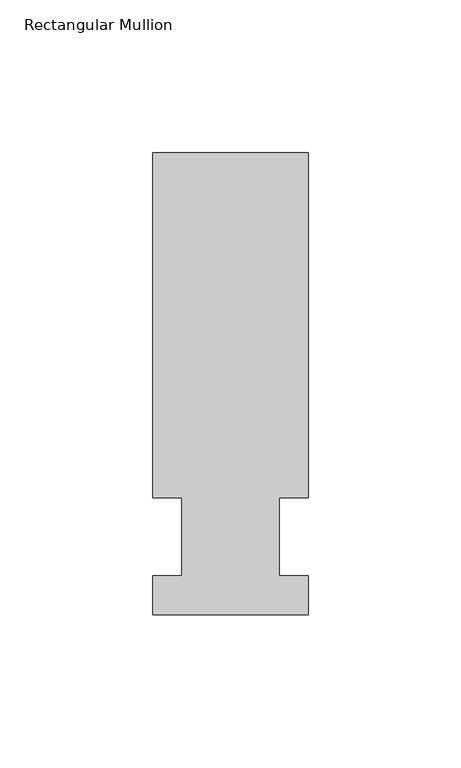
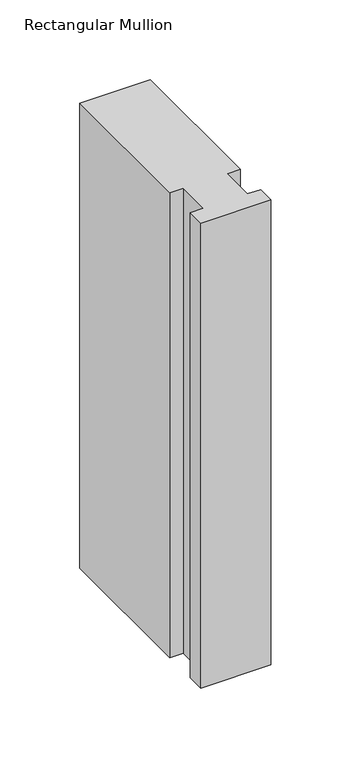
"""IFC4 building model written with IfcOpenShell, lengths in millimetres: member geometry, Rectangular Mullion."""

from ifc_helpers import new_model, si_unit, frame, origin, place, context, project, spatial, polyline, outline, extrude, source, transform, mapped, element, save


def rectangular_mullion_1e8617f3(model_context):
    return source(origin(), model_context, "Body", "SweptSolid", [
        extrude(outline(polyline([(-25.4, -25.58415), (-25.4, -12.7), (-15.875, -12.7), (-15.875, 12.7), (-25.4, 12.7), (-25.4, 125.59665), (25.4, 125.59665), (25.4, 12.7), (15.875, 12.7), (15.875, -12.7), (25.4, -12.7), (25.4, -25.58415), (-25.4, -25.58415)])), frame((0.0, 0.0, -355.6), z_axis=(0.0, 0.0, 1.0), x_axis=(1.0, 0.0, 0.0)), (0.0, 0.0, 1.0), 355.6),
    ])


if __name__ == "__main__":
    model = new_model("IFC4")
    model_context = context("Model", 3, world=origin())
    ifc_project = project(units=[si_unit("LENGTHUNIT", "METRE", prefix="MILLI")], contexts=[model_context])
    site = spatial("IfcSite", under=ifc_project)
    building = spatial("IfcBuilding", under=site)
    placement = place(None, origin())
    rectangular_mullion_shape = rectangular_mullion_1e8617f3(model_context)
    element("IfcMember", 1, ObjectType="Rectangular Mullion", at=placement, inside=building, context=model_context, shape_type="MappedRepresentation", body=[
        mapped(rectangular_mullion_shape, transform((0.0, 0.0, 0.0), x_axis=(1.0, 0.0, 0.0), y_axis=(0.0, 1.0, 0.0), z_axis=(0.0, 0.0, 1.0))),
    ])
    save(model, "model.ifc")
